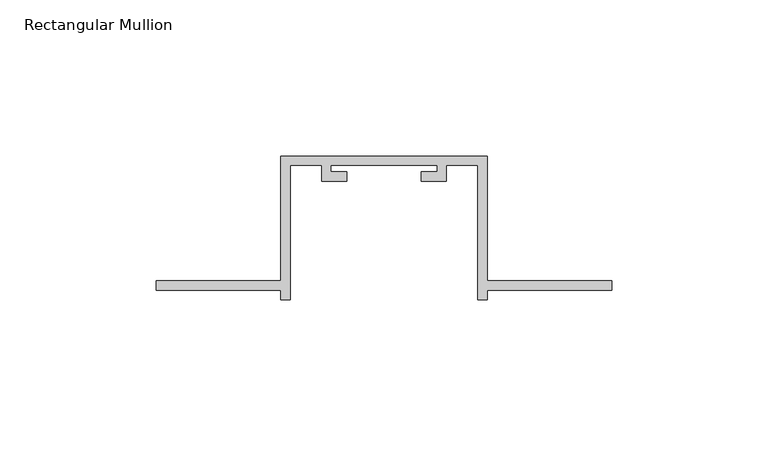
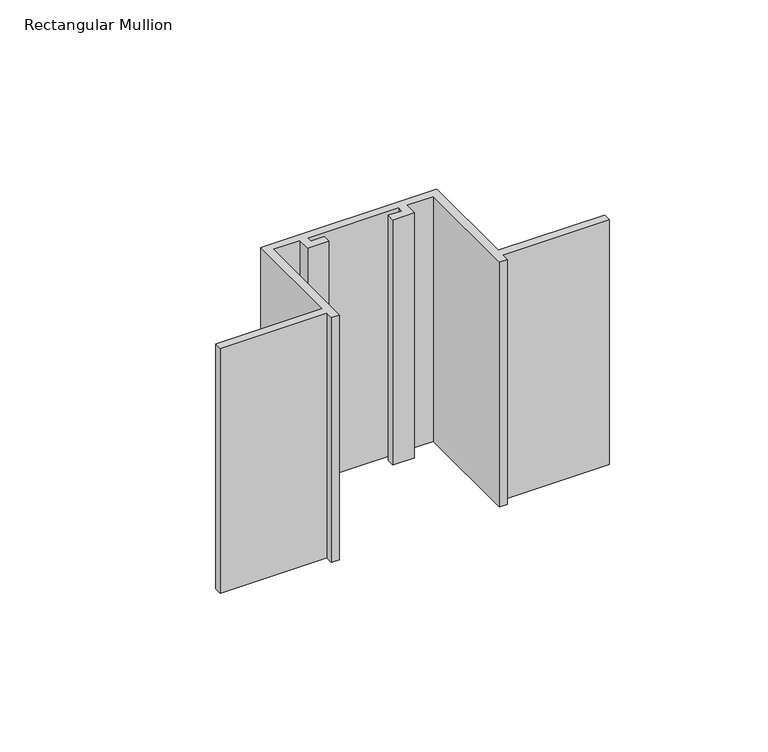
"""IFC4 building model written with IfcOpenShell, lengths in millimetres: member geometry, Rectangular Mullion."""

import ifcopenshell
import ifcopenshell.guid

model = None  # the IFC model being written
_history = None  # IfcOwnerHistory: only IFC2X3 demands one
_inside = {}  # id of a spatial element -> (the spatial element, [elements in it])
_under = {}  # id of a project, library or spatial element -> (it, [spatial elements below it])
_declared = {}  # id of a project -> (the project, [libraries it declares])
_typed = {}  # id of a type object -> (the type object, [elements of that type])
_made_of = {}  # id of a material, layer set ... -> (it, [elements and type objects made of it])


def new_model(schema):
    """Start an empty IFC model of exactly this schema.

    Asked for "IFC4X3", IfcOpenShell would pick the latest addendum, in which some entities
    have other attributes; the version numbers below select the first issue.
    IFC2X3 requires an IfcOwnerHistory on every rooted entity: one is made here for all.
    """
    global model, _history
    if schema == "IFC4X3":
        model = ifcopenshell.file(schema_version=(4, 3, 0, 0))
    else:
        model = ifcopenshell.file(schema=schema)
    _inside.clear()
    _under.clear()
    _declared.clear()
    _typed.clear()
    _made_of.clear()
    _history = None
    if model.schema == "IFC2X3":
        org = make("IfcOrganization", Name="unknown")
        user = make(
            "IfcPersonAndOrganization",
            ThePerson=make("IfcPerson", FamilyName="unknown"),
            TheOrganization=org,
        )
        app = make(
            "IfcApplication",
            ApplicationDeveloper=org,
            Version="unknown",
            ApplicationFullName="unknown",
            ApplicationIdentifier="unknown",
        )
        _history = make(
            "IfcOwnerHistory",
            OwningUser=user,
            OwningApplication=app,
            ChangeAction="ADDED",
            CreationDate=0,
        )
    return model


def make(cls, **values):
    """One entity of the class cls with the attributes given. An attribute that is None is left unset."""
    return model.create_entity(
        cls, **{name: value for name, value in values.items() if value is not None}
    )


def rooted(cls, **values):
    """An entity with a GlobalId (a new one), such as an element, a storey or a relation."""
    return make(cls, GlobalId=ifcopenshell.guid.new(), OwnerHistory=_history, **values)


def si_unit(unit_type, name, prefix=None):
    """IfcSIUnit, for example si_unit("LENGTHUNIT", "METRE", prefix="MILLI")."""
    return make("IfcSIUnit", UnitType=unit_type, Prefix=prefix, Name=name)


def assignment(units):
    """IfcUnitAssignment: the units of a project."""
    return None if units is None else make("IfcUnitAssignment", Units=units)


def point(xyz):
    """IfcCartesianPoint."""
    return None if xyz is None else make("IfcCartesianPoint", Coordinates=xyz)


def direction(xyz):
    """IfcDirection."""
    return None if xyz is None else make("IfcDirection", DirectionRatios=xyz)


def frame(location, z_axis=None, x_axis=None):
    """IfcAxis2Placement3D, a coordinate frame: its origin and axes. An axis left out is left unset."""
    return make(
        "IfcAxis2Placement3D",
        Location=point(location),
        Axis=direction(z_axis),
        RefDirection=direction(x_axis),
    )


def origin():
    """The frame at (0, 0, 0) with its axes left unset."""
    return frame((0.0, 0.0, 0.0))


def place(relative_to, where):
    """IfcLocalPlacement: puts the frame where relative to a parent placement (None: the world)."""
    return make(
        "IfcLocalPlacement", PlacementRelTo=relative_to, RelativePlacement=where
    )


def context(
    kind, dimensions, precision=None, world=None, true_north=None, identifier=None
):
    """IfcGeometricRepresentationContext, for example the 3D "Model" context."""
    return make(
        "IfcGeometricRepresentationContext",
        ContextIdentifier=identifier,
        ContextType=kind,
        CoordinateSpaceDimension=dimensions,
        Precision=precision,
        WorldCoordinateSystem=world,
        TrueNorth=true_north,
    )


def project(units=None, contexts=None):
    """IfcProject with its units and contexts."""
    return rooted(
        "IfcProject",
        Name="project",
        RepresentationContexts=contexts,
        UnitsInContext=assignment(units),
    )


def spatial(cls, under=None, at=None, **own):
    """A site, building, storey or space (cls), placed at a placement, below another one or the project."""
    s = rooted(cls, ObjectPlacement=at, **own)
    if under is not None:
        _under.setdefault(under.id(), (under, []))[1].append(s)
    return s


def polyline(points):
    """IfcPolyline through the points."""
    return make("IfcPolyline", Points=[point(p) for p in points])


def outline(outer, holes=None, kind="AREA"):
    """IfcArbitraryClosedProfileDef: a profile drawn as a closed curve; with holes, ...WithVoids."""
    if holes is None:
        return make("IfcArbitraryClosedProfileDef", ProfileType=kind, OuterCurve=outer)
    return make(
        "IfcArbitraryProfileDefWithVoids",
        ProfileType=kind,
        OuterCurve=outer,
        InnerCurves=holes,
    )


def extrude(swept, where, along, depth):
    """IfcExtrudedAreaSolid: the profile swept, set in the frame where, extruded along a direction by depth."""
    return make(
        "IfcExtrudedAreaSolid",
        SweptArea=swept,
        Position=where,
        ExtrudedDirection=direction(along),
        Depth=depth,
    )


def shape(context_of_items, identifier, shape_type, items):
    """IfcShapeRepresentation: the items that make up one representation, for example the "Body"."""
    return make(
        "IfcShapeRepresentation",
        ContextOfItems=context_of_items,
        RepresentationIdentifier=identifier,
        RepresentationType=shape_type,
        Items=items,
    )


def source(mapping_origin, context_of_items, identifier, shape_type, items):
    """IfcRepresentationMap: a shape defined once, which mapped items show again and again."""
    return make(
        "IfcRepresentationMap",
        MappingOrigin=mapping_origin,
        MappedRepresentation=shape(context_of_items, identifier, shape_type, items),
    )


def transform(
    local_origin,
    x_axis=None,
    y_axis=None,
    z_axis=None,
    scale=None,
    scale2=None,
    scale3=None,
    uniform=True,
):
    """IfcCartesianTransformationOperator3D, or its non-uniform kind. x_axis, y_axis, z_axis: its Axis1, 2, 3."""
    if uniform:
        return make(
            "IfcCartesianTransformationOperator3D",
            Axis1=direction(x_axis),
            Axis2=direction(y_axis),
            LocalOrigin=point(local_origin),
            Scale=scale,
            Axis3=direction(z_axis),
        )
    return make(
        "IfcCartesianTransformationOperator3DnonUniform",
        Axis1=direction(x_axis),
        Axis2=direction(y_axis),
        LocalOrigin=point(local_origin),
        Scale=scale,
        Axis3=direction(z_axis),
        Scale2=scale2,
        Scale3=scale3,
    )


def mapped(mapping_source, mapping_target):
    """IfcMappedItem: shows the shape of a source again, moved by a transform."""
    return make(
        "IfcMappedItem", MappingSource=mapping_source, MappingTarget=mapping_target
    )


def made_of(thing, what):
    """Note that an element or type object is made of a material, layer set ...; save() writes the relation."""
    if what is not None:
        _made_of.setdefault(what.id(), (what, []))[1].append(thing)
    return thing


def element(
    cls,
    number,
    at=None,
    inside=None,
    cuts=None,
    type_object=None,
    material=None,
    context=None,
    identifier="Body",
    shape_type=None,
    held_by="IfcProductDefinitionShape",
    body=None,
    shapes=None,
    **own,
):
    """One element of the class cls, such as IfcWall. Its Tag is "e" and its number.

    at: its placement. inside: the storey or other place that contains it. cuts: it is an
    opening in that element (IfcRelVoidsElement). A single representation is given by context,
    identifier, shape_type and body (its items); several are given by shapes. held_by: the class
    of the entity that holds the representations. save() writes the other relations.
    """
    e = rooted(cls, Tag="e%d" % number, ObjectPlacement=at, **own)
    if body is not None:
        shapes = [shape(context, identifier, shape_type, body)]
    if shapes is not None:
        e.Representation = make(held_by, Representations=shapes)
    if inside is not None:
        _inside.setdefault(inside.id(), (inside, []))[1].append(e)
    if cuts is not None:
        rooted(
            "IfcRelVoidsElement", RelatingBuildingElement=cuts, RelatedOpeningElement=e
        )
    if type_object is not None:
        _typed.setdefault(type_object.id(), (type_object, []))[1].append(e)
    return made_of(e, material)


def aggregate(whole, parts):
    """IfcRelAggregates: a whole, such as a stair, and the parts it consists of."""
    return rooted("IfcRelAggregates", RelatingObject=whole, RelatedObjects=parts)


def save(model, path):
    """Write the relations noted so far, then the file.

    IfcRelAggregates (storeys below a building ...), IfcRelContainedInSpatialStructure (elements
    in a storey), IfcRelDefinesByType, IfcRelAssociatesMaterial and IfcRelDeclares: one each for
    every whole, place, type object, material and project.
    """
    for whole, parts in _under.values():
        aggregate(whole, parts)
    for where, things in _inside.values():
        rooted(
            "IfcRelContainedInSpatialStructure",
            RelatedElements=things,
            RelatingStructure=where,
        )
    for kind, things in _typed.values():
        rooted("IfcRelDefinesByType", RelatedObjects=things, RelatingType=kind)
    for what, things in _made_of.values():
        rooted("IfcRelAssociatesMaterial", RelatedObjects=things, RelatingMaterial=what)
    for by, libraries in _declared.values():
        rooted("IfcRelDeclares", RelatingContext=by, RelatedDefinitions=libraries)
    model.write(path)


def rectangular_mullion_895caa33(model_context):
    return source(origin(), model_context, "Body", "SweptSolid", [
        extrude(outline(polyline([(-40.0, -132.0), (-40.0, -135.0), (-43.0, -135.0), (-43.0, -92.0), (-53.0, -92.0), (-53.0, -97.0), (-61.0, -97.0), (-61.0, -94.0), (-56.0, -94.0), (-56.0, -92.0), (-90.0, -92.0), (-90.0, -94.0), (-85.0, -94.0), (-85.0, -97.0), (-93.0, -97.0), (-93.0, -92.0), (-103.0, -92.0), (-103.0, -135.0), (-106.0, -135.0), (-106.0, -132.0), (-146.0, -132.0), (-146.0, -129.0), (-106.0, -129.0), (-106.0, -89.0), (-40.0, -89.0), (-40.0, -129.0), (0.0, -129.0), (0.0, -132.0), (-40.0, -132.0)])), frame((0.0, 0.0, -97.1692572), z_axis=(0.0, 0.0, 1.0), x_axis=(1.0, 0.0, 0.0)), (0.0, 0.0, 1.0), 97.1692572),
    ])


if __name__ == "__main__":
    model = new_model("IFC4")
    model_context = context("Model", 3, world=origin())
    ifc_project = project(units=[si_unit("LENGTHUNIT", "METRE", prefix="MILLI")], contexts=[model_context])
    site = spatial("IfcSite", under=ifc_project)
    building = spatial("IfcBuilding", under=site)
    placement = place(None, origin())
    rectangular_mullion_shape = rectangular_mullion_895caa33(model_context)
    element("IfcMember", 1, ObjectType="Rectangular Mullion", at=placement, inside=building, context=model_context, shape_type="MappedRepresentation", body=[
        mapped(rectangular_mullion_shape, transform((0.0, 0.0, 0.0), x_axis=(1.0, 0.0, 0.0), y_axis=(0.0, 1.0, 0.0), z_axis=(0.0, 0.0, 1.0))),
    ])
    save(model, "model.ifc")
